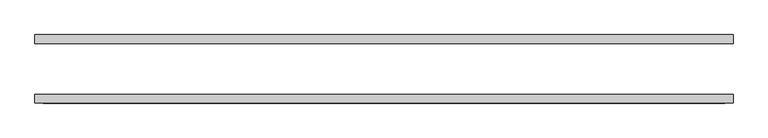
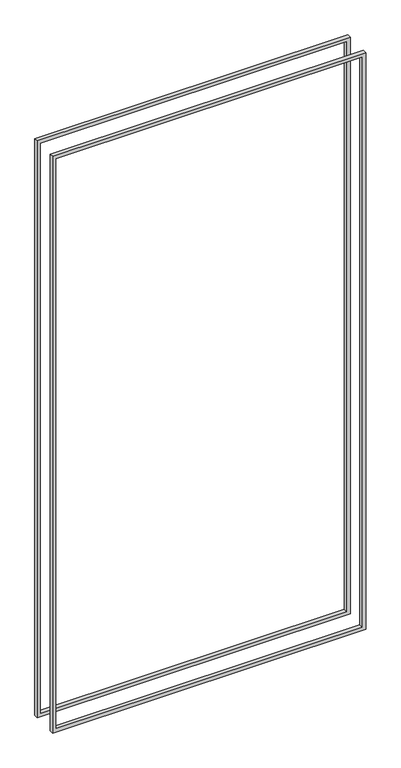
"""IFC4 building model written with IfcOpenShell, lengths in millimetres: proxy geometry."""

from ifc_helpers import new_model, si_unit, frame, origin, place, context, project, spatial, polyline, outline, extrude, source, transform, mapped, element, save


def generic_models_7303ca8c(model_context):
    return source(origin(), model_context, "Body", "SweptSolid", [
        extrude(outline(polyline([(2392.3625, -649.2875), (26.9875, -649.2875), (26.9875, 566.7375), (2392.3625, 566.7375), (2392.3625, -649.2875)]), holes=[polyline([(2378.075, 552.45), (41.275, 552.45), (41.275, -635.0), (2378.075, -635.0), (2378.075, 552.45)])]), frame((0.0, -59.53125, 0.0), z_axis=(0.0, 1.0, 0.0), x_axis=(0.0, 0.0, 1.0)), (0.0, 0.0, 1.0), 15.08125),
        extrude(outline(polyline([(26.9875, 566.7375), (2392.3625, 566.7375), (2392.3625, -649.2875), (26.9875, -649.2875), (26.9875, 566.7375)]), holes=[polyline([(41.275, -635.0), (2378.075, -635.0), (2378.075, 552.45), (41.275, 552.45), (41.275, -635.0)])]), frame((0.0, 44.45, 0.0), z_axis=(0.0, 1.0, 0.0), x_axis=(0.0, 0.0, 1.0)), (0.0, 0.0, 1.0), 15.08125),
    ])


if __name__ == "__main__":
    model = new_model("IFC4")
    model_context = context("Model", 3, world=origin())
    ifc_project = project(units=[si_unit("LENGTHUNIT", "METRE", prefix="MILLI")], contexts=[model_context])
    site = spatial("IfcSite", under=ifc_project)
    building = spatial("IfcBuilding", under=site)
    placement = place(None, origin())
    generic_models_shape = generic_models_7303ca8c(model_context)
    element("IfcBuildingElementProxy", 1, Name="Generic Models", at=placement, inside=building, context=model_context, shape_type="MappedRepresentation", body=[
        mapped(generic_models_shape, transform((0.0, 0.0, 0.0), x_axis=(1.0, 0.0, 0.0), y_axis=(0.0, 1.0, 0.0), z_axis=(0.0, 0.0, 1.0))),
    ])
    save(model, "model.ifc")
